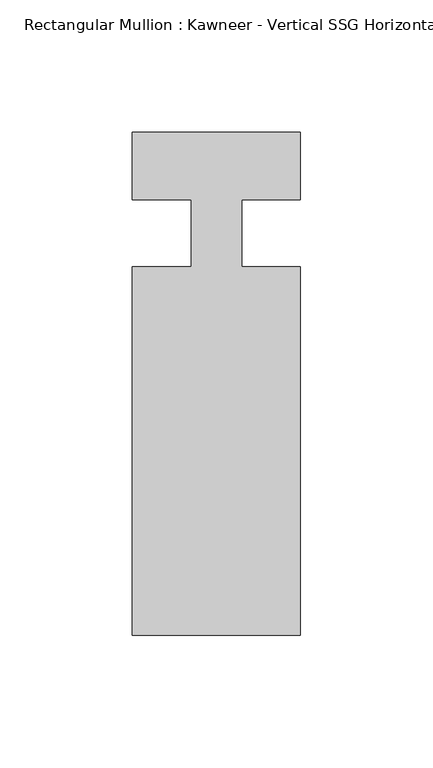
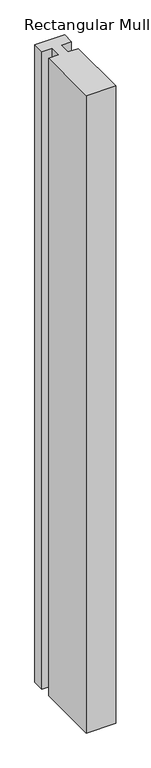
"""IFC4 building model written with IfcOpenShell, lengths in millimetres: member geometry."""

from ifc_helpers import new_model, si_unit, frame, origin, place, context, project, spatial, polyline, outline, extrude, source, transform, mapped, element, save


def member_282f6ef6(model_context):
    return source(origin(), model_context, "Body", "SweptSolid", [
        extrude(outline(polyline([(-9.525, 12.7), (-31.75, 12.7), (-31.75, 38.1), (31.75, 38.1), (31.75, 12.7), (9.5251132, 12.7), (9.5251132, -12.7), (31.75, -12.7), (31.75, -151.892), (-31.75, -151.892), (-31.75, -12.7), (-9.525, -12.7), (-9.525, 12.7)])), frame((0.0, 0.0, -1443.6284605), z_axis=(0.0, 0.0, 1.0), x_axis=(1.0, 0.0, 0.0)), (0.0, 0.0, 1.0), 1443.6284605),
    ])


if __name__ == "__main__":
    model = new_model("IFC4")
    model_context = context("Model", 3, world=origin())
    ifc_project = project(units=[si_unit("LENGTHUNIT", "METRE", prefix="MILLI")], contexts=[model_context])
    site = spatial("IfcSite", under=ifc_project)
    building = spatial("IfcBuilding", under=site)
    placement = place(None, origin())
    member_shape = member_282f6ef6(model_context)
    element("IfcMember", 1, ObjectType="Rectangular Mullion : Kawneer - Vertical SSG Horizontal Mullion - 7 1/2\"", at=placement, inside=building, context=model_context, shape_type="MappedRepresentation", body=[
        mapped(member_shape, transform((0.0, 0.0, 0.0), x_axis=(1.0, 0.0, 0.0), y_axis=(0.0, 1.0, 0.0), z_axis=(0.0, 0.0, 1.0))),
    ])
    save(model, "model.ifc")
